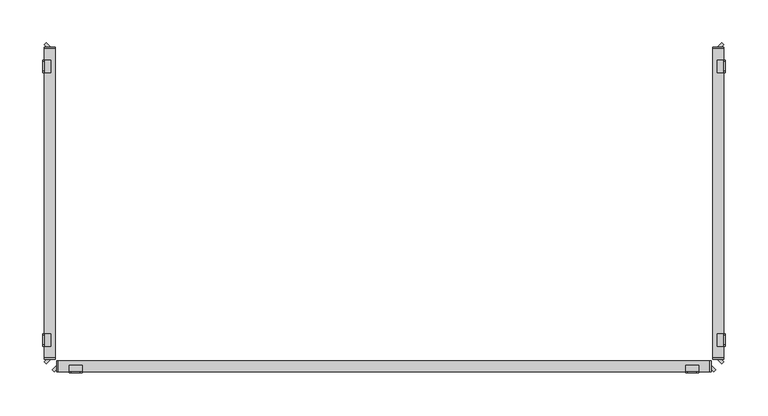
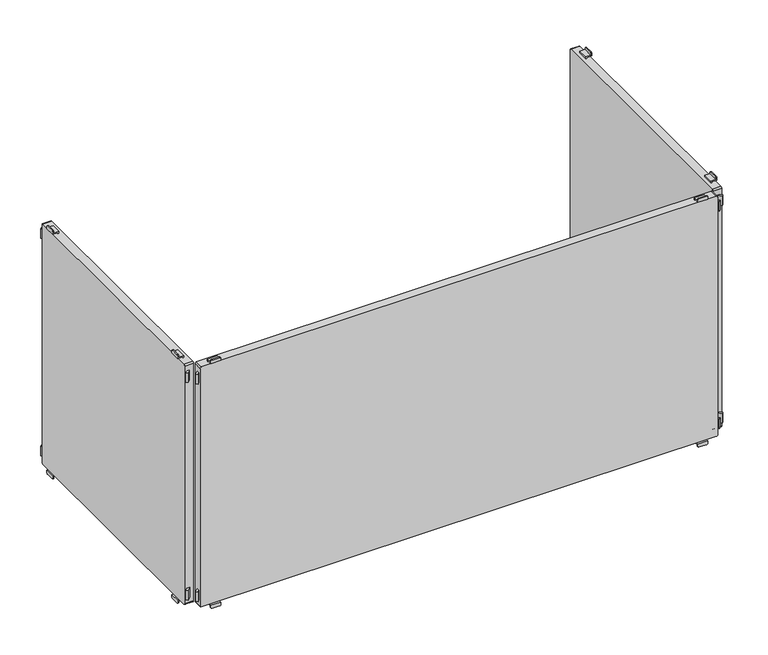
"""IFC4 building model written with IfcOpenShell, lengths in millimetres: furniture geometry."""

from ifc_helpers import new_model, si_unit, point, frame, frame_2d, origin, place, context, project, spatial, polyline, circle_curve, trimmed, segment, composite_curve, outline, extrude, source, transform, mapped, element, save
from ifc_brep_helpers import plane_surface, cylinder_surface, advanced_brep


def furniture_d464f380(model_context):
    return source(origin(), model_context, "Body", "SolidModel", [
        advanced_brep(
        [(352.5, -197.0, 515.5), (352.5, -197.0, 517.0), (367.5, -197.0, 517.0), (367.5, -197.0, 515.5), (365.5, -197.0, 513.5), (354.5, -197.0, 513.5), (352.5, -198.5, 518.5), (352.5, -198.5, 515.5), (354.5, -198.5, 513.5), (365.5, -198.5, 513.5), (367.5, -198.5, 515.5), (367.5, -198.5, 518.5), (352.5, -191.0011497, 518.5), (352.5, -191.0011497, 520.0), (352.5, -189.5011497, 520.0), (352.5, -189.5011497, 517.0), (367.5, -189.5011497, 517.0), (367.5, -189.5011497, 520.0), (367.5, -191.0011497, 520.0), (367.5, -191.0011497, 518.5)],
        [
            (0, 1),
            (1, 2),
            (2, 3),
            (3, 4, circle_curve(frame((365.5, -197.0, 515.5), z_axis=(0.0, 1.0, 0.0), x_axis=(1.0, 0.0, 0.0)), 2.0)),
            (4, 5),
            (5, 0, circle_curve(frame((354.5, -197.0, 515.5), z_axis=(0.0, 1.0, 0.0), x_axis=(1.0, 0.0, 0.0)), 2.0)),
            (6, 7),
            (7, 8, circle_curve(frame((354.5, -198.5, 515.5), z_axis=(0.0, -1.0, 0.0), x_axis=(1.0, 0.0, 0.0)), 2.0)),
            (8, 9),
            (9, 10, circle_curve(frame((365.5, -198.5, 515.5), z_axis=(0.0, -1.0, 0.0), x_axis=(1.0, 0.0, 0.0)), 2.0)),
            (10, 11),
            (11, 6),
            (6, 12),
            (12, 13),
            (13, 14),
            (14, 15),
            (15, 1),
            (0, 7),
            (5, 8),
            (4, 9),
            (3, 10),
            (2, 16),
            (16, 17),
            (17, 18),
            (18, 19),
            (19, 11),
            (19, 12),
            (14, 17),
            (16, 15),
            (13, 18),
        ],
        [
            plane_surface(frame((352.5, -197.0, 517.0), z_axis=(0.0, 1.0, 0.0), x_axis=(0.0, 0.0, -1.0))),
            plane_surface(frame((352.5, -198.5, 517.0), z_axis=(0.0, -1.0, 0.0), x_axis=(0.0, 0.0, 1.0))),
            plane_surface(frame((352.5, -197.0, 518.5), z_axis=(-1.0, 0.0, 0.0), x_axis=(0.0, -1.0, 0.0))),
            cylinder_surface(frame((354.5, -198.5, 515.5), z_axis=(0.0, 1.0, 0.0), x_axis=(1.0, 0.0, 0.0)), 2.0),
            plane_surface(frame((354.5, -197.0, 513.5), z_axis=(0.0, 0.0, -1.0), x_axis=(0.0, -1.0, 0.0))),
            cylinder_surface(frame((365.5, -198.5, 515.5), z_axis=(0.0, 1.0, 0.0), x_axis=(1.0, 0.0, 0.0)), 2.0),
            plane_surface(frame((367.5, -197.0, 515.5), z_axis=(1.0, 0.0, 0.0), x_axis=(0.0, -1.0, 0.0))),
            plane_surface(frame((367.5, -197.0, 518.5), z_axis=(0.0, 0.0, 1.0), x_axis=(0.0, -1.0, 0.0))),
            plane_surface(frame((352.5, -189.5011497, 517.0), z_axis=(0.0, 1.0, 0.0), x_axis=(1.0, 0.0, 0.0))),
            plane_surface(frame((352.5, -189.5011497, 520.0), z_axis=(0.0, 0.0, 1.0), x_axis=(1.0, 0.0, 0.0))),
            plane_surface(frame((352.5, -191.0011497, 520.0), z_axis=(0.0, -1.0, 0.0), x_axis=(1.0, 0.0, 0.0))),
            plane_surface(frame((352.5, -197.0, 517.0), z_axis=(0.0, 0.0, -1.0), x_axis=(1.0, 0.0, 0.0))),
        ],
        [
            (0, [[1, 2, 3, 4, 5, 6]]),
            (1, [[7, 8, 9, 10, 11, 12]]),
            (2, [[13, 14, 15, 16, 17, -1, 18, -7]]),
            (3, [[19, -8, -18, -6]]),
            (4, [[20, -9, -19, -5]]),
            (5, [[21, -10, -20, -4]]),
            (6, [[-21, -3, 22, 23, 24, 25, 26, -11]]),
            (7, [[27, -13, -12, -26]]),
            (8, [[28, -23, 29, -16]]),
            (9, [[30, -24, -28, -15]]),
            (10, [[-27, -25, -30, -14]]),
            (11, [[-29, -22, -2, -17]]),
        ],
    ),
        advanced_brep(
        [(-367.5, -197.0, 515.5), (-367.5, -197.0, 517.0), (-352.5, -197.0, 517.0), (-352.5, -197.0, 515.5), (-354.5, -197.0, 513.5), (-365.5, -197.0, 513.5), (-352.5, -198.5, 518.5), (-367.5, -198.5, 518.5), (-367.5, -198.5, 515.5), (-365.5, -198.5, 513.5), (-354.5, -198.5, 513.5), (-352.5, -198.5, 515.5), (-352.5, -191.0011497, 518.5), (-367.5, -191.0011497, 518.5), (-367.5, -191.0011497, 520.0), (-367.5, -189.5011497, 520.0), (-367.5, -189.5011497, 517.0), (-352.5, -189.5011497, 517.0), (-352.5, -189.5011497, 520.0), (-352.5, -191.0011497, 520.0)],
        [
            (0, 1),
            (1, 2),
            (2, 3),
            (3, 4, circle_curve(frame((-354.5, -197.0, 515.5), z_axis=(0.0, 1.0, 0.0), x_axis=(1.0, 0.0, 0.0)), 2.0)),
            (4, 5),
            (5, 0, circle_curve(frame((-365.5, -197.0, 515.5), z_axis=(0.0, 1.0, 0.0), x_axis=(1.0, 0.0, 0.0)), 2.0)),
            (6, 7),
            (7, 8),
            (8, 9, circle_curve(frame((-365.5, -198.5, 515.5), z_axis=(0.0, -1.0, 0.0), x_axis=(1.0, 0.0, 0.0)), 2.0)),
            (9, 10),
            (10, 11, circle_curve(frame((-354.5, -198.5, 515.5), z_axis=(0.0, -1.0, 0.0), x_axis=(1.0, 0.0, 0.0)), 2.0)),
            (11, 6),
            (6, 12),
            (12, 13),
            (13, 7),
            (13, 14),
            (14, 15),
            (15, 16),
            (16, 1),
            (0, 8),
            (5, 9),
            (4, 10),
            (3, 11),
            (2, 17),
            (17, 18),
            (18, 19),
            (19, 12),
            (17, 16),
            (15, 18),
            (14, 19),
        ],
        [
            plane_surface(frame((352.5, -197.0, 517.0), z_axis=(0.0, 1.0, 0.0), x_axis=(0.0, 0.0, -1.0))),
            plane_surface(frame((352.5, -198.5, 517.0), z_axis=(0.0, -1.0, 0.0), x_axis=(0.0, 0.0, 1.0))),
            plane_surface(frame((-352.5, -197.0, 518.5), z_axis=(0.0, 0.0, 1.0), x_axis=(0.0, -1.0, 0.0))),
            plane_surface(frame((-367.5, -197.0, 518.5), z_axis=(-1.0, 0.0, 0.0), x_axis=(0.0, -1.0, 0.0))),
            cylinder_surface(frame((-365.5, -200.0, 515.5), z_axis=(0.0, 1.0, 0.0), x_axis=(1.0, 0.0, 0.0)), 2.0),
            plane_surface(frame((-365.5, -197.0, 513.5), z_axis=(0.0, 0.0, -1.0), x_axis=(0.0, -1.0, 0.0))),
            cylinder_surface(frame((-354.5, -200.0, 515.5), z_axis=(0.0, 1.0, 0.0), x_axis=(1.0, 0.0, 0.0)), 2.0),
            plane_surface(frame((-352.5, -197.0, 515.5), z_axis=(1.0, 0.0, 0.0), x_axis=(0.0, -1.0, 0.0))),
            plane_surface(frame((-352.5, -189.5011497, 520.0), z_axis=(0.0, 1.0, 0.0), x_axis=(-1.0, 0.0, 0.0))),
            plane_surface(frame((-352.5, -191.0011497, 520.0), z_axis=(0.0, 0.0, 1.0), x_axis=(-1.0, 0.0, 0.0))),
            plane_surface(frame((-352.5, -191.0011497, 518.5), z_axis=(0.0, -1.0, 0.0), x_axis=(-1.0, 0.0, 0.0))),
            plane_surface(frame((-352.5, -189.5011497, 517.0), z_axis=(0.0, 0.0, -1.0), x_axis=(-1.0, 0.0, 0.0))),
        ],
        [
            (0, [[1, 2, 3, 4, 5, 6]]),
            (1, [[7, 8, 9, 10, 11, 12]]),
            (2, [[13, 14, 15, -7]]),
            (3, [[-15, 16, 17, 18, 19, -1, 20, -8]]),
            (4, [[21, -9, -20, -6]]),
            (5, [[22, -10, -21, -5]]),
            (6, [[23, -11, -22, -4]]),
            (7, [[-23, -3, 24, 25, 26, 27, -13, -12]]),
            (8, [[28, -18, 29, -25]]),
            (9, [[-29, -17, 30, -26]]),
            (10, [[-30, -16, -14, -27]]),
            (11, [[-2, -19, -28, -24]]),
        ],
    ),
        advanced_brep(
        [(367.5, -197.0, 899.5), (367.5, -197.0, 898.0), (352.5, -197.0, 898.0), (352.5, -197.0, 899.5), (354.5, -197.0, 901.5), (365.5, -197.0, 901.5), (352.5, -198.5, 896.5), (367.5, -198.5, 896.5), (367.5, -198.5, 899.5), (365.5, -198.5, 901.5), (354.5, -198.5, 901.5), (352.5, -198.5, 899.5), (352.5, -189.5011497, 898.0), (352.5, -189.5011497, 895.0), (352.5, -191.0011497, 895.0), (352.5, -191.0011497, 896.5), (367.5, -189.5011497, 898.0), (367.5, -191.0011497, 896.5), (367.5, -191.0011497, 895.0), (367.5, -189.5011497, 895.0)],
        [
            (0, 1),
            (1, 2),
            (2, 3),
            (3, 4, circle_curve(frame((354.5, -197.0, 899.5), z_axis=(0.0, 1.0, 0.0), x_axis=(1.0, 0.0, 0.0)), 2.0)),
            (4, 5),
            (5, 0, circle_curve(frame((365.5, -197.0, 899.5), z_axis=(0.0, 1.0, 0.0), x_axis=(1.0, 0.0, 0.0)), 2.0)),
            (6, 7),
            (7, 8),
            (8, 9, circle_curve(frame((365.5, -198.5, 899.5), z_axis=(0.0, -1.0, 0.0), x_axis=(1.0, 0.0, 0.0)), 2.0)),
            (9, 10),
            (10, 11, circle_curve(frame((354.5, -198.5, 899.5), z_axis=(0.0, -1.0, 0.0), x_axis=(1.0, 0.0, 0.0)), 2.0)),
            (11, 6),
            (12, 13),
            (13, 14),
            (14, 15),
            (15, 6),
            (11, 3),
            (2, 12),
            (16, 1),
            (0, 8),
            (7, 17),
            (17, 18),
            (18, 19),
            (19, 16),
            (15, 17),
            (5, 9),
            (4, 10),
            (16, 12),
            (14, 18),
            (13, 19),
        ],
        [
            plane_surface(frame((352.5, -197.0, 517.0), z_axis=(0.0, 1.0, 0.0), x_axis=(0.0, 0.0, -1.0))),
            plane_surface(frame((352.5, -198.5, 517.0), z_axis=(0.0, -1.0, 0.0), x_axis=(0.0, 0.0, 1.0))),
            plane_surface(frame((352.5, -197.0, 518.5), z_axis=(-1.0, 0.0, 0.0), x_axis=(0.0, -1.0, 0.0))),
            plane_surface(frame((367.5, -197.0, 515.5), z_axis=(1.0, 0.0, 0.0), x_axis=(0.0, -1.0, 0.0))),
            plane_surface(frame((352.5, -197.0, 896.5), z_axis=(0.0, 0.0, -1.0), x_axis=(0.0, -1.0, 0.0))),
            cylinder_surface(frame((365.5, -200.0, 899.5), z_axis=(0.0, 1.0, 0.0), x_axis=(1.0, 0.0, 0.0)), 2.0),
            plane_surface(frame((365.5, -197.0, 901.5), z_axis=(0.0, 0.0, 1.0), x_axis=(0.0, -1.0, 0.0))),
            cylinder_surface(frame((354.5, -200.0, 899.5), z_axis=(0.0, 1.0, 0.0), x_axis=(1.0, 0.0, 0.0)), 2.0),
            plane_surface(frame((352.5, -189.5011497, 898.0), z_axis=(0.0, 0.0, 1.0), x_axis=(1.0, 0.0, 0.0))),
            plane_surface(frame((352.5, -191.0011497, 896.5), z_axis=(0.0, -1.0, 0.0), x_axis=(1.0, 0.0, 0.0))),
            plane_surface(frame((352.5, -191.0011497, 895.0), z_axis=(0.0, 0.0, -1.0), x_axis=(1.0, 0.0, 0.0))),
            plane_surface(frame((352.5, -189.5011497, 895.0), z_axis=(0.0, 1.0, 0.0), x_axis=(1.0, 0.0, 0.0))),
        ],
        [
            (0, [[1, 2, 3, 4, 5, 6]]),
            (1, [[7, 8, 9, 10, 11, 12]]),
            (2, [[13, 14, 15, 16, -12, 17, -3, 18]]),
            (3, [[19, -1, 20, -8, 21, 22, 23, 24]]),
            (4, [[25, -21, -7, -16]]),
            (5, [[26, -9, -20, -6]]),
            (6, [[27, -10, -26, -5]]),
            (7, [[-17, -11, -27, -4]]),
            (8, [[-2, -19, 28, -18]]),
            (9, [[29, -22, -25, -15]]),
            (10, [[30, -23, -29, -14]]),
            (11, [[-28, -24, -30, -13]]),
        ],
    ),
        advanced_brep(
        [(-352.5, -197.0, 899.5), (-352.5, -197.0, 898.0), (-367.5, -197.0, 898.0), (-367.5, -197.0, 899.5), (-365.5, -197.0, 901.5), (-354.5, -197.0, 901.5), (-352.5, -198.5, 896.5), (-352.5, -198.5, 899.5), (-354.5, -198.5, 901.5), (-365.5, -198.5, 901.5), (-367.5, -198.5, 899.5), (-367.5, -198.5, 896.5), (-367.5, -189.5011497, 898.0), (-367.5, -189.5011497, 895.0), (-367.5, -191.0011497, 895.0), (-367.5, -191.0011497, 896.5), (-352.5, -191.0011497, 896.5), (-352.5, -191.0011497, 895.0), (-352.5, -189.5011497, 895.0), (-352.5, -189.5011497, 898.0)],
        [
            (0, 1),
            (1, 2),
            (2, 3),
            (3, 4, circle_curve(frame((-365.5, -197.0, 899.5), z_axis=(0.0, 1.0, 0.0), x_axis=(1.0, 0.0, 0.0)), 2.0)),
            (4, 5),
            (5, 0, circle_curve(frame((-354.5, -197.0, 899.5), z_axis=(0.0, 1.0, 0.0), x_axis=(1.0, 0.0, 0.0)), 2.0)),
            (6, 7),
            (7, 8, circle_curve(frame((-354.5, -198.5, 899.5), z_axis=(0.0, -1.0, 0.0), x_axis=(1.0, 0.0, 0.0)), 2.0)),
            (8, 9),
            (9, 10, circle_curve(frame((-365.5, -198.5, 899.5), z_axis=(0.0, -1.0, 0.0), x_axis=(1.0, 0.0, 0.0)), 2.0)),
            (10, 11),
            (11, 6),
            (10, 3),
            (2, 12),
            (12, 13),
            (13, 14),
            (14, 15),
            (15, 11),
            (6, 16),
            (16, 17),
            (17, 18),
            (18, 19),
            (19, 1),
            (0, 7),
            (5, 8),
            (4, 9),
            (15, 16),
            (19, 12),
            (14, 17),
            (13, 18),
        ],
        [
            plane_surface(frame((352.5, -197.0, 517.0), z_axis=(0.0, 1.0, 0.0), x_axis=(0.0, 0.0, -1.0))),
            plane_surface(frame((352.5, -198.5, 517.0), z_axis=(0.0, -1.0, 0.0), x_axis=(0.0, 0.0, 1.0))),
            plane_surface(frame((-367.5, -197.0, 518.5), z_axis=(-1.0, 0.0, 0.0), x_axis=(0.0, -1.0, 0.0))),
            plane_surface(frame((-352.5, -197.0, 515.5), z_axis=(1.0, 0.0, 0.0), x_axis=(0.0, -1.0, 0.0))),
            cylinder_surface(frame((-354.5, -200.0, 899.5), z_axis=(0.0, 1.0, 0.0), x_axis=(1.0, 0.0, 0.0)), 2.0),
            plane_surface(frame((-354.5, -197.0, 901.5), z_axis=(0.0, 0.0, 1.0), x_axis=(0.0, -1.0, 0.0))),
            cylinder_surface(frame((-365.5, -200.0, 899.5), z_axis=(0.0, 1.0, 0.0), x_axis=(1.0, 0.0, 0.0)), 2.0),
            plane_surface(frame((-367.5, -197.0, 896.5), z_axis=(0.0, 0.0, -1.0), x_axis=(0.0, -1.0, 0.0))),
            plane_surface(frame((-352.5, -197.0, 898.0), z_axis=(0.0, 0.0, 1.0), x_axis=(-1.0, 0.0, 0.0))),
            plane_surface(frame((-352.5, -191.0011497, 895.0), z_axis=(0.0, -1.0, 0.0), x_axis=(-1.0, 0.0, 0.0))),
            plane_surface(frame((-352.5, -189.5011497, 895.0), z_axis=(0.0, 0.0, -1.0), x_axis=(-1.0, 0.0, 0.0))),
            plane_surface(frame((-352.5, -189.5011497, 898.0), z_axis=(0.0, 1.0, 0.0), x_axis=(-1.0, 0.0, 0.0))),
        ],
        [
            (0, [[1, 2, 3, 4, 5, 6]]),
            (1, [[7, 8, 9, 10, 11, 12]]),
            (2, [[13, -3, 14, 15, 16, 17, 18, -11]]),
            (3, [[19, 20, 21, 22, 23, -1, 24, -7]]),
            (4, [[25, -8, -24, -6]]),
            (5, [[26, -9, -25, -5]]),
            (6, [[-13, -10, -26, -4]]),
            (7, [[-18, 27, -19, -12]]),
            (8, [[28, -14, -2, -23]]),
            (9, [[-27, -17, 29, -20]]),
            (10, [[-29, -16, 30, -21]]),
            (11, [[-30, -15, -28, -22]]),
        ],
    ),
        extrude(outline(polyline([(-385.3223305, -197.0), (-387.6605904, -194.6617401), (-382.5, -189.5011497), (-382.5, -194.1776695), (-385.3223305, -197.0)])), frame((0.0, 0.0, 530.0), z_axis=(0.0, 0.0, 1.0), x_axis=(1.0, 0.0, 0.0)), (0.0, 0.0, 1.0), 15.0),
        extrude(outline(polyline([(385.3223305, -197.0), (382.5, -194.1776695), (382.5, -189.5011497), (387.6605904, -194.6617401), (385.3223305, -197.0)])), frame((0.0, 0.0, 530.0), z_axis=(0.0, 0.0, 1.0), x_axis=(1.0, 0.0, 0.0)), (0.0, 0.0, 1.0), 15.0),
        extrude(outline(composite_curve([segment(trimmed(circle_curve(frame_2d((893.2, 380.7)), 1.8), [point((893.2, 382.5))], [point((895.0, 380.7))], False, "CARTESIAN"), True, "CONTINUOUS"), segment(polyline([(895.0, 380.7), (895.0, -380.7)]), True, "CONTINUOUS"), segment(trimmed(circle_curve(frame_2d((893.2, -380.7)), 1.8), [point((895.0, -380.7))], [point((893.2, -382.5))], False, "CARTESIAN"), True, "CONTINUOUS"), segment(polyline([(893.2, -382.5), (521.8, -382.5)]), True, "CONTINUOUS"), segment(trimmed(circle_curve(frame_2d((521.8, -380.7)), 1.8), [point((521.8, -382.5))], [point((520.0, -380.7))], False, "CARTESIAN"), True, "CONTINUOUS"), segment(polyline([(520.0, -380.7), (520.0, 380.7)]), True, "CONTINUOUS"), segment(trimmed(circle_curve(frame_2d((521.8, 380.7)), 1.8), [point((520.0, 380.7))], [point((521.8, 382.5))], False, "CARTESIAN"), True, "CONTINUOUS"), segment(polyline([(521.8, 382.5), (893.2, 382.5)]), True, "CONTINUOUS")], self_intersect=False)), frame((0.0, -197.0, 0.0), z_axis=(0.0, 1.0, 0.0), x_axis=(0.0, 0.0, 1.0)), (0.0, 0.0, 1.0), 13.000205),
        extrude(outline(polyline([(-385.3223305, -197.0), (-387.6605904, -194.6617401), (-382.5, -189.5011497), (-382.5, -194.1776695), (-385.3223305, -197.0)])), frame((0.0, 0.0, 870.0), z_axis=(0.0, 0.0, 1.0), x_axis=(1.0, 0.0, 0.0)), (0.0, 0.0, 1.0), 15.0),
        extrude(outline(polyline([(385.3223305, -197.0), (382.5, -194.1776695), (382.5, -189.5011497), (387.6605904, -194.6617401), (385.3223305, -197.0)])), frame((0.0, 0.0, 870.0), z_axis=(0.0, 0.0, 1.0), x_axis=(1.0, 0.0, 0.0)), (0.0, 0.0, 1.0), 15.0),
        advanced_brep(
        [(397.0, -152.5, 515.5), (397.0, -154.5, 513.5), (397.0, -165.5, 513.5), (397.0, -167.5, 515.5), (397.0, -167.5, 517.0), (397.0, -152.5, 517.0), (398.5, -152.5, 518.5), (398.5, -167.5, 518.5), (398.5, -167.5, 515.5), (398.5, -165.5, 513.5), (398.5, -154.5, 513.5), (398.5, -152.5, 515.5), (389.5011497, -152.5, 517.0), (389.5011497, -152.5, 520.0), (391.0011497, -152.5, 520.0), (391.0011497, -152.5, 518.5), (391.0011497, -167.5, 518.5), (391.0011497, -167.5, 520.0), (389.5011497, -167.5, 520.0), (389.5011497, -167.5, 517.0)],
        [
            (0, 1, circle_curve(frame((397.0, -154.5, 515.5), z_axis=(-1.0, 0.0, 0.0), x_axis=(0.0, -1.0, 0.0)), 2.0)),
            (1, 2),
            (2, 3, circle_curve(frame((397.0, -165.5, 515.5), z_axis=(-1.0, 0.0, 0.0), x_axis=(0.0, -1.0, 0.0)), 2.0)),
            (3, 4),
            (4, 5),
            (5, 0),
            (6, 7),
            (7, 8),
            (8, 9, circle_curve(frame((398.5, -165.5, 515.5), z_axis=(1.0, 0.0, 0.0), x_axis=(0.0, -1.0, 0.0)), 2.0)),
            (9, 10),
            (10, 11, circle_curve(frame((398.5, -154.5, 515.5), z_axis=(1.0, 0.0, 0.0), x_axis=(0.0, -1.0, 0.0)), 2.0)),
            (11, 6),
            (11, 0),
            (5, 12),
            (12, 13),
            (13, 14),
            (14, 15),
            (15, 6),
            (10, 1),
            (9, 2),
            (8, 3),
            (7, 16),
            (16, 17),
            (17, 18),
            (18, 19),
            (19, 4),
            (15, 16),
            (12, 19),
            (18, 13),
            (17, 14),
        ],
        [
            plane_surface(frame((397.0, -152.5, 517.0), z_axis=(-1.0, 0.0, 0.0), x_axis=(0.0, 0.0, -1.0))),
            plane_surface(frame((398.5, -152.5, 517.0), z_axis=(1.0, 0.0, 0.0), x_axis=(0.0, 0.0, 1.0))),
            plane_surface(frame((397.0, -152.5, 518.5), z_axis=(0.0, 1.0, 0.0), x_axis=(1.0, 0.0, 0.0))),
            cylinder_surface(frame((398.5, -154.5, 515.5), z_axis=(-1.0, 0.0, 0.0), x_axis=(0.0, -1.0, 0.0)), 2.0),
            plane_surface(frame((397.0, -154.5, 513.5), z_axis=(0.0, 0.0, -1.0), x_axis=(1.0, 0.0, 0.0))),
            cylinder_surface(frame((398.5, -165.5, 515.5), z_axis=(-1.0, 0.0, 0.0), x_axis=(0.0, -1.0, 0.0)), 2.0),
            plane_surface(frame((397.0, -167.5, 515.5), z_axis=(0.0, -1.0, 0.0), x_axis=(1.0, 0.0, 0.0))),
            plane_surface(frame((397.0, -167.5, 518.5), z_axis=(0.0, 0.0, 1.0), x_axis=(1.0, 0.0, 0.0))),
            plane_surface(frame((389.5011497, -152.5, 517.0), z_axis=(-1.0, 0.0, 0.0), x_axis=(0.0, -1.0, 0.0))),
            plane_surface(frame((389.5011497, -152.5, 520.0), z_axis=(0.0, 0.0, 1.0), x_axis=(0.0, -1.0, 0.0))),
            plane_surface(frame((391.0011497, -152.5, 520.0), z_axis=(1.0, 0.0, 0.0), x_axis=(0.0, -1.0, 0.0))),
            plane_surface(frame((397.0, -152.5, 517.0), z_axis=(0.0, 0.0, -1.0), x_axis=(0.0, -1.0, 0.0))),
        ],
        [
            (0, [[1, 2, 3, 4, 5, 6]]),
            (1, [[7, 8, 9, 10, 11, 12]]),
            (2, [[-12, 13, -6, 14, 15, 16, 17, 18]]),
            (3, [[-1, -13, -11, 19]]),
            (4, [[-2, -19, -10, 20]]),
            (5, [[-3, -20, -9, 21]]),
            (6, [[-8, 22, 23, 24, 25, 26, -4, -21]]),
            (7, [[-22, -7, -18, 27]]),
            (8, [[-15, 28, -25, 29]]),
            (9, [[-16, -29, -24, 30]]),
            (10, [[-17, -30, -23, -27]]),
            (11, [[-14, -5, -26, -28]]),
        ],
    ),
        advanced_brep(
        [(397.0, 167.5, 515.5), (397.0, 165.5, 513.5), (397.0, 154.5, 513.5), (397.0, 152.5, 515.5), (397.0, 152.5, 517.0), (397.0, 167.5, 517.0), (398.5, 152.5, 518.5), (398.5, 152.5, 515.5), (398.5, 154.5, 513.5), (398.5, 165.5, 513.5), (398.5, 167.5, 515.5), (398.5, 167.5, 518.5), (391.0011497, 167.5, 518.5), (391.0011497, 152.5, 518.5), (389.5011497, 167.5, 517.0), (389.5011497, 167.5, 520.0), (391.0011497, 167.5, 520.0), (391.0011497, 152.5, 520.0), (389.5011497, 152.5, 520.0), (389.5011497, 152.5, 517.0)],
        [
            (0, 1, circle_curve(frame((397.0, 165.5, 515.5), z_axis=(-1.0, 0.0, 0.0), x_axis=(0.0, -1.0, 0.0)), 2.0)),
            (1, 2),
            (2, 3, circle_curve(frame((397.0, 154.5, 515.5), z_axis=(-1.0, 0.0, 0.0), x_axis=(0.0, -1.0, 0.0)), 2.0)),
            (3, 4),
            (4, 5),
            (5, 0),
            (6, 7),
            (7, 8, circle_curve(frame((398.5, 154.5, 515.5), z_axis=(1.0, 0.0, 0.0), x_axis=(0.0, -1.0, 0.0)), 2.0)),
            (8, 9),
            (9, 10, circle_curve(frame((398.5, 165.5, 515.5), z_axis=(1.0, 0.0, 0.0), x_axis=(0.0, -1.0, 0.0)), 2.0)),
            (10, 11),
            (11, 6),
            (11, 12),
            (12, 13),
            (13, 6),
            (10, 0),
            (5, 14),
            (14, 15),
            (15, 16),
            (16, 12),
            (9, 1),
            (8, 2),
            (7, 3),
            (13, 17),
            (17, 18),
            (18, 19),
            (19, 4),
            (18, 15),
            (14, 19),
            (17, 16),
        ],
        [
            plane_surface(frame((397.0, -152.5, 517.0), z_axis=(-1.0, 0.0, 0.0), x_axis=(0.0, 0.0, -1.0))),
            plane_surface(frame((398.5, -152.5, 517.0), z_axis=(1.0, 0.0, 0.0), x_axis=(0.0, 0.0, 1.0))),
            plane_surface(frame((397.0, 152.5, 518.5), z_axis=(0.0, 0.0, 1.0), x_axis=(1.0, 0.0, 0.0))),
            plane_surface(frame((397.0, 167.5, 518.5), z_axis=(0.0, 1.0, 0.0), x_axis=(1.0, 0.0, 0.0))),
            cylinder_surface(frame((400.0, 165.5, 515.5), z_axis=(-1.0, 0.0, 0.0), x_axis=(0.0, -1.0, 0.0)), 2.0),
            plane_surface(frame((397.0, 165.5, 513.5), z_axis=(0.0, 0.0, -1.0), x_axis=(1.0, 0.0, 0.0))),
            cylinder_surface(frame((400.0, 154.5, 515.5), z_axis=(-1.0, 0.0, 0.0), x_axis=(0.0, -1.0, 0.0)), 2.0),
            plane_surface(frame((397.0, 152.5, 515.5), z_axis=(0.0, -1.0, 0.0), x_axis=(1.0, 0.0, 0.0))),
            plane_surface(frame((389.5011497, 152.5, 520.0), z_axis=(-1.0, 0.0, 0.0), x_axis=(0.0, 1.0, 0.0))),
            plane_surface(frame((391.0011497, 152.5, 520.0), z_axis=(0.0, 0.0, 1.0), x_axis=(0.0, 1.0, 0.0))),
            plane_surface(frame((391.0011497, 152.5, 518.5), z_axis=(1.0, 0.0, 0.0), x_axis=(0.0, 1.0, 0.0))),
            plane_surface(frame((389.5011497, 152.5, 517.0), z_axis=(0.0, 0.0, -1.0), x_axis=(0.0, 1.0, 0.0))),
        ],
        [
            (0, [[1, 2, 3, 4, 5, 6]]),
            (1, [[7, 8, 9, 10, 11, 12]]),
            (2, [[-12, 13, 14, 15]]),
            (3, [[-11, 16, -6, 17, 18, 19, 20, -13]]),
            (4, [[-1, -16, -10, 21]]),
            (5, [[-2, -21, -9, 22]]),
            (6, [[-3, -22, -8, 23]]),
            (7, [[-7, -15, 24, 25, 26, 27, -4, -23]]),
            (8, [[-26, 28, -18, 29]]),
            (9, [[-25, 30, -19, -28]]),
            (10, [[-24, -14, -20, -30]]),
            (11, [[-27, -29, -17, -5]]),
        ],
    ),
        advanced_brep(
        [(397.0, -167.5, 899.5), (397.0, -165.5, 901.5), (397.0, -154.5, 901.5), (397.0, -152.5, 899.5), (397.0, -152.5, 898.0), (397.0, -167.5, 898.0), (398.5, -152.5, 896.5), (398.5, -152.5, 899.5), (398.5, -154.5, 901.5), (398.5, -165.5, 901.5), (398.5, -167.5, 899.5), (398.5, -167.5, 896.5), (389.5011497, -152.5, 898.0), (391.0011497, -152.5, 896.5), (391.0011497, -152.5, 895.0), (389.5011497, -152.5, 895.0), (389.5011497, -167.5, 898.0), (389.5011497, -167.5, 895.0), (391.0011497, -167.5, 895.0), (391.0011497, -167.5, 896.5)],
        [
            (0, 1, circle_curve(frame((397.0, -165.5, 899.5), z_axis=(-1.0, 0.0, 0.0), x_axis=(0.0, -1.0, 0.0)), 2.0)),
            (1, 2),
            (2, 3, circle_curve(frame((397.0, -154.5, 899.5), z_axis=(-1.0, 0.0, 0.0), x_axis=(0.0, -1.0, 0.0)), 2.0)),
            (3, 4),
            (4, 5),
            (5, 0),
            (6, 7),
            (7, 8, circle_curve(frame((398.5, -154.5, 899.5), z_axis=(1.0, 0.0, 0.0), x_axis=(0.0, -1.0, 0.0)), 2.0)),
            (8, 9),
            (9, 10, circle_curve(frame((398.5, -165.5, 899.5), z_axis=(1.0, 0.0, 0.0), x_axis=(0.0, -1.0, 0.0)), 2.0)),
            (10, 11),
            (11, 6),
            (12, 4),
            (3, 7),
            (6, 13),
            (13, 14),
            (14, 15),
            (15, 12),
            (16, 17),
            (17, 18),
            (18, 19),
            (19, 11),
            (10, 0),
            (5, 16),
            (19, 13),
            (9, 1),
            (8, 2),
            (12, 16),
            (18, 14),
            (17, 15),
        ],
        [
            plane_surface(frame((397.0, -152.5, 517.0), z_axis=(-1.0, 0.0, 0.0), x_axis=(0.0, 0.0, -1.0))),
            plane_surface(frame((398.5, -152.5, 517.0), z_axis=(1.0, 0.0, 0.0), x_axis=(0.0, 0.0, 1.0))),
            plane_surface(frame((397.0, -152.5, 518.5), z_axis=(0.0, 1.0, 0.0), x_axis=(1.0, 0.0, 0.0))),
            plane_surface(frame((397.0, -167.5, 515.5), z_axis=(0.0, -1.0, 0.0), x_axis=(1.0, 0.0, 0.0))),
            plane_surface(frame((397.0, -152.5, 896.5), z_axis=(0.0, 0.0, -1.0), x_axis=(1.0, 0.0, 0.0))),
            cylinder_surface(frame((400.0, -165.5, 899.5), z_axis=(-1.0, 0.0, 0.0), x_axis=(0.0, -1.0, 0.0)), 2.0),
            plane_surface(frame((397.0, -165.5, 901.5), z_axis=(0.0, 0.0, 1.0), x_axis=(1.0, 0.0, 0.0))),
            cylinder_surface(frame((400.0, -154.5, 899.5), z_axis=(-1.0, 0.0, 0.0), x_axis=(0.0, -1.0, 0.0)), 2.0),
            plane_surface(frame((389.5011497, -152.5, 898.0), z_axis=(0.0, 0.0, 1.0), x_axis=(0.0, -1.0, 0.0))),
            plane_surface(frame((391.0011497, -152.5, 896.5), z_axis=(1.0, 0.0, 0.0), x_axis=(0.0, -1.0, 0.0))),
            plane_surface(frame((391.0011497, -152.5, 895.0), z_axis=(0.0, 0.0, -1.0), x_axis=(0.0, -1.0, 0.0))),
            plane_surface(frame((389.5011497, -152.5, 895.0), z_axis=(-1.0, 0.0, 0.0), x_axis=(0.0, -1.0, 0.0))),
        ],
        [
            (0, [[1, 2, 3, 4, 5, 6]]),
            (1, [[7, 8, 9, 10, 11, 12]]),
            (2, [[13, -4, 14, -7, 15, 16, 17, 18]]),
            (3, [[19, 20, 21, 22, -11, 23, -6, 24]]),
            (4, [[-15, -12, -22, 25]]),
            (5, [[-1, -23, -10, 26]]),
            (6, [[-2, -26, -9, 27]]),
            (7, [[-3, -27, -8, -14]]),
            (8, [[-13, 28, -24, -5]]),
            (9, [[-16, -25, -21, 29]]),
            (10, [[-17, -29, -20, 30]]),
            (11, [[-18, -30, -19, -28]]),
        ],
    ),
        advanced_brep(
        [(397.0, 152.5, 899.5), (397.0, 154.5, 901.5), (397.0, 165.5, 901.5), (397.0, 167.5, 899.5), (397.0, 167.5, 898.0), (397.0, 152.5, 898.0), (398.5, 152.5, 896.5), (398.5, 167.5, 896.5), (398.5, 167.5, 899.5), (398.5, 165.5, 901.5), (398.5, 154.5, 901.5), (398.5, 152.5, 899.5), (391.0011497, 167.5, 896.5), (391.0011497, 167.5, 895.0), (389.5011497, 167.5, 895.0), (389.5011497, 167.5, 898.0), (389.5011497, 152.5, 898.0), (389.5011497, 152.5, 895.0), (391.0011497, 152.5, 895.0), (391.0011497, 152.5, 896.5)],
        [
            (0, 1, circle_curve(frame((397.0, 154.5, 899.5), z_axis=(-1.0, 0.0, 0.0), x_axis=(0.0, -1.0, 0.0)), 2.0)),
            (1, 2),
            (2, 3, circle_curve(frame((397.0, 165.5, 899.5), z_axis=(-1.0, 0.0, 0.0), x_axis=(0.0, -1.0, 0.0)), 2.0)),
            (3, 4),
            (4, 5),
            (5, 0),
            (6, 7),
            (7, 8),
            (8, 9, circle_curve(frame((398.5, 165.5, 899.5), z_axis=(1.0, 0.0, 0.0), x_axis=(0.0, -1.0, 0.0)), 2.0)),
            (9, 10),
            (10, 11, circle_curve(frame((398.5, 154.5, 899.5), z_axis=(1.0, 0.0, 0.0), x_axis=(0.0, -1.0, 0.0)), 2.0)),
            (11, 6),
            (7, 12),
            (12, 13),
            (13, 14),
            (14, 15),
            (15, 4),
            (3, 8),
            (11, 0),
            (5, 16),
            (16, 17),
            (17, 18),
            (18, 19),
            (19, 6),
            (10, 1),
            (9, 2),
            (19, 12),
            (15, 16),
            (18, 13),
            (17, 14),
        ],
        [
            plane_surface(frame((397.0, -152.5, 517.0), z_axis=(-1.0, 0.0, 0.0), x_axis=(0.0, 0.0, -1.0))),
            plane_surface(frame((398.5, -152.5, 517.0), z_axis=(1.0, 0.0, 0.0), x_axis=(0.0, 0.0, 1.0))),
            plane_surface(frame((397.0, 167.5, 518.5), z_axis=(0.0, 1.0, 0.0), x_axis=(1.0, 0.0, 0.0))),
            plane_surface(frame((397.0, 152.5, 515.5), z_axis=(0.0, -1.0, 0.0), x_axis=(1.0, 0.0, 0.0))),
            cylinder_surface(frame((400.0, 154.5, 899.5), z_axis=(-1.0, 0.0, 0.0), x_axis=(0.0, -1.0, 0.0)), 2.0),
            plane_surface(frame((397.0, 154.5, 901.5), z_axis=(0.0, 0.0, 1.0), x_axis=(1.0, 0.0, 0.0))),
            cylinder_surface(frame((400.0, 165.5, 899.5), z_axis=(-1.0, 0.0, 0.0), x_axis=(0.0, -1.0, 0.0)), 2.0),
            plane_surface(frame((397.0, 167.5, 896.5), z_axis=(0.0, 0.0, -1.0), x_axis=(1.0, 0.0, 0.0))),
            plane_surface(frame((397.0, 152.5, 898.0), z_axis=(0.0, 0.0, 1.0), x_axis=(0.0, 1.0, 0.0))),
            plane_surface(frame((391.0011497, 152.5, 895.0), z_axis=(1.0, 0.0, 0.0), x_axis=(0.0, 1.0, 0.0))),
            plane_surface(frame((389.5011497, 152.5, 895.0), z_axis=(0.0, 0.0, -1.0), x_axis=(0.0, 1.0, 0.0))),
            plane_surface(frame((389.5011497, 152.5, 898.0), z_axis=(-1.0, 0.0, 0.0), x_axis=(0.0, 1.0, 0.0))),
        ],
        [
            (0, [[1, 2, 3, 4, 5, 6]]),
            (1, [[7, 8, 9, 10, 11, 12]]),
            (2, [[-8, 13, 14, 15, 16, 17, -4, 18]]),
            (3, [[-12, 19, -6, 20, 21, 22, 23, 24]]),
            (4, [[-1, -19, -11, 25]]),
            (5, [[-2, -25, -10, 26]]),
            (6, [[-3, -26, -9, -18]]),
            (7, [[-7, -24, 27, -13]]),
            (8, [[-20, -5, -17, 28]]),
            (9, [[-23, 29, -14, -27]]),
            (10, [[-22, 30, -15, -29]]),
            (11, [[-21, -28, -16, -30]]),
        ],
    ),
        extrude(outline(polyline([(397.0, -185.3223305), (394.6617401, -187.6605904), (389.5011497, -182.5), (394.1776695, -182.5), (397.0, -185.3223305)])), frame((0.0, 0.0, 530.0), z_axis=(0.0, 0.0, 1.0), x_axis=(1.0, 0.0, 0.0)), (0.0, 0.0, 1.0), 15.0),
        extrude(outline(polyline([(397.0, 185.3223305), (394.1776695, 182.5), (389.5011497, 182.5), (394.6617401, 187.6605904), (397.0, 185.3223305)])), frame((0.0, 0.0, 530.0), z_axis=(0.0, 0.0, 1.0), x_axis=(1.0, 0.0, 0.0)), (0.0, 0.0, 1.0), 15.0),
        extrude(outline(composite_curve([segment(trimmed(circle_curve(frame_2d((-180.7, 893.2)), 1.8), [point((-182.5, 893.2))], [point((-180.7, 895.0))], False, "CARTESIAN"), True, "CONTINUOUS"), segment(polyline([(-180.7, 895.0), (180.7, 895.0)]), True, "CONTINUOUS"), segment(trimmed(circle_curve(frame_2d((180.7, 893.2)), 1.8), [point((180.7, 895.0))], [point((182.5, 893.2))], False, "CARTESIAN"), True, "CONTINUOUS"), segment(polyline([(182.5, 893.2), (182.5, 521.8)]), True, "CONTINUOUS"), segment(trimmed(circle_curve(frame_2d((180.7, 521.8)), 1.8), [point((182.5, 521.8))], [point((180.7, 520.0))], False, "CARTESIAN"), True, "CONTINUOUS"), segment(polyline([(180.7, 520.0), (-180.7, 520.0)]), True, "CONTINUOUS"), segment(trimmed(circle_curve(frame_2d((-180.7, 521.8)), 1.8), [point((-180.7, 520.0))], [point((-182.5, 521.8))], False, "CARTESIAN"), True, "CONTINUOUS"), segment(polyline([(-182.5, 521.8), (-182.5, 893.2)]), True, "CONTINUOUS")], self_intersect=False)), frame((383.999795, 0.0, 0.0), z_axis=(1.0, 0.0, 0.0), x_axis=(0.0, 1.0, 0.0)), (0.0, 0.0, 1.0), 13.000205),
        extrude(outline(polyline([(397.0, -185.3223305), (394.6617401, -187.6605904), (389.5011497, -182.5), (394.1776695, -182.5), (397.0, -185.3223305)])), frame((0.0, 0.0, 870.0), z_axis=(0.0, 0.0, 1.0), x_axis=(1.0, 0.0, 0.0)), (0.0, 0.0, 1.0), 15.0),
        extrude(outline(polyline([(397.0, 185.3223305), (394.1776695, 182.5), (389.5011497, 182.5), (394.6617401, 187.6605904), (397.0, 185.3223305)])), frame((0.0, 0.0, 870.0), z_axis=(0.0, 0.0, 1.0), x_axis=(1.0, 0.0, 0.0)), (0.0, 0.0, 1.0), 15.0),
        advanced_brep(
        [(-397.0, -152.5, 515.5), (-397.0, -152.5, 517.0), (-397.0, -167.5, 517.0), (-397.0, -167.5, 515.5), (-397.0, -165.5, 513.5), (-397.0, -154.5, 513.5), (-398.5, -152.5, 518.5), (-398.5, -152.5, 515.5), (-398.5, -154.5, 513.5), (-398.5, -165.5, 513.5), (-398.5, -167.5, 515.5), (-398.5, -167.5, 518.5), (-391.0011497, -152.5, 518.5), (-391.0011497, -152.5, 520.0), (-389.5011497, -152.5, 520.0), (-389.5011497, -152.5, 517.0), (-389.5011497, -167.5, 517.0), (-389.5011497, -167.5, 520.0), (-391.0011497, -167.5, 520.0), (-391.0011497, -167.5, 518.5)],
        [
            (0, 1),
            (1, 2),
            (2, 3),
            (3, 4, circle_curve(frame((-397.0, -165.5, 515.5), z_axis=(1.0, 0.0, 0.0), x_axis=(0.0, -1.0, 0.0)), 2.0)),
            (4, 5),
            (5, 0, circle_curve(frame((-397.0, -154.5, 515.5), z_axis=(1.0, 0.0, 0.0), x_axis=(0.0, -1.0, 0.0)), 2.0)),
            (6, 7),
            (7, 8, circle_curve(frame((-398.5, -154.5, 515.5), z_axis=(-1.0, 0.0, 0.0), x_axis=(0.0, -1.0, 0.0)), 2.0)),
            (8, 9),
            (9, 10, circle_curve(frame((-398.5, -165.5, 515.5), z_axis=(-1.0, 0.0, 0.0), x_axis=(0.0, -1.0, 0.0)), 2.0)),
            (10, 11),
            (11, 6),
            (6, 12),
            (12, 13),
            (13, 14),
            (14, 15),
            (15, 1),
            (0, 7),
            (5, 8),
            (4, 9),
            (3, 10),
            (2, 16),
            (16, 17),
            (17, 18),
            (18, 19),
            (19, 11),
            (19, 12),
            (14, 17),
            (16, 15),
            (13, 18),
        ],
        [
            plane_surface(frame((-397.0, -152.5, 517.0), z_axis=(1.0, 0.0, 0.0), x_axis=(0.0, 0.0, -1.0))),
            plane_surface(frame((-398.5, -152.5, 517.0), z_axis=(-1.0, 0.0, 0.0), x_axis=(0.0, 0.0, 1.0))),
            plane_surface(frame((-397.0, -152.5, 518.5), z_axis=(0.0, 1.0, 0.0), x_axis=(-1.0, 0.0, 0.0))),
            cylinder_surface(frame((-398.5, -154.5, 515.5), z_axis=(1.0, 0.0, 0.0), x_axis=(0.0, -1.0, 0.0)), 2.0),
            plane_surface(frame((-397.0, -154.5, 513.5), z_axis=(0.0, 0.0, -1.0), x_axis=(-1.0, 0.0, 0.0))),
            cylinder_surface(frame((-398.5, -165.5, 515.5), z_axis=(1.0, 0.0, 0.0), x_axis=(0.0, -1.0, 0.0)), 2.0),
            plane_surface(frame((-397.0, -167.5, 515.5), z_axis=(0.0, -1.0, 0.0), x_axis=(-1.0, 0.0, 0.0))),
            plane_surface(frame((-397.0, -167.5, 518.5), z_axis=(0.0, 0.0, 1.0), x_axis=(-1.0, 0.0, 0.0))),
            plane_surface(frame((-389.5011497, -152.5, 517.0), z_axis=(1.0, 0.0, 0.0), x_axis=(0.0, -1.0, 0.0))),
            plane_surface(frame((-389.5011497, -152.5, 520.0), z_axis=(0.0, 0.0, 1.0), x_axis=(0.0, -1.0, 0.0))),
            plane_surface(frame((-391.0011497, -152.5, 520.0), z_axis=(-1.0, 0.0, 0.0), x_axis=(0.0, -1.0, 0.0))),
            plane_surface(frame((-397.0, -152.5, 517.0), z_axis=(0.0, 0.0, -1.0), x_axis=(0.0, -1.0, 0.0))),
        ],
        [
            (0, [[1, 2, 3, 4, 5, 6]]),
            (1, [[7, 8, 9, 10, 11, 12]]),
            (2, [[13, 14, 15, 16, 17, -1, 18, -7]]),
            (3, [[19, -8, -18, -6]]),
            (4, [[20, -9, -19, -5]]),
            (5, [[21, -10, -20, -4]]),
            (6, [[-21, -3, 22, 23, 24, 25, 26, -11]]),
            (7, [[27, -13, -12, -26]]),
            (8, [[28, -23, 29, -16]]),
            (9, [[30, -24, -28, -15]]),
            (10, [[-27, -25, -30, -14]]),
            (11, [[-29, -22, -2, -17]]),
        ],
    ),
        advanced_brep(
        [(-397.0, 167.5, 515.5), (-397.0, 167.5, 517.0), (-397.0, 152.5, 517.0), (-397.0, 152.5, 515.5), (-397.0, 154.5, 513.5), (-397.0, 165.5, 513.5), (-398.5, 152.5, 518.5), (-398.5, 167.5, 518.5), (-398.5, 167.5, 515.5), (-398.5, 165.5, 513.5), (-398.5, 154.5, 513.5), (-398.5, 152.5, 515.5), (-391.0011497, 152.5, 518.5), (-391.0011497, 167.5, 518.5), (-391.0011497, 167.5, 520.0), (-389.5011497, 167.5, 520.0), (-389.5011497, 167.5, 517.0), (-389.5011497, 152.5, 517.0), (-389.5011497, 152.5, 520.0), (-391.0011497, 152.5, 520.0)],
        [
            (0, 1),
            (1, 2),
            (2, 3),
            (3, 4, circle_curve(frame((-397.0, 154.5, 515.5), z_axis=(1.0, 0.0, 0.0), x_axis=(0.0, -1.0, 0.0)), 2.0)),
            (4, 5),
            (5, 0, circle_curve(frame((-397.0, 165.5, 515.5), z_axis=(1.0, 0.0, 0.0), x_axis=(0.0, -1.0, 0.0)), 2.0)),
            (6, 7),
            (7, 8),
            (8, 9, circle_curve(frame((-398.5, 165.5, 515.5), z_axis=(-1.0, 0.0, 0.0), x_axis=(0.0, -1.0, 0.0)), 2.0)),
            (9, 10),
            (10, 11, circle_curve(frame((-398.5, 154.5, 515.5), z_axis=(-1.0, 0.0, 0.0), x_axis=(0.0, -1.0, 0.0)), 2.0)),
            (11, 6),
            (6, 12),
            (12, 13),
            (13, 7),
            (13, 14),
            (14, 15),
            (15, 16),
            (16, 1),
            (0, 8),
            (5, 9),
            (4, 10),
            (3, 11),
            (2, 17),
            (17, 18),
            (18, 19),
            (19, 12),
            (17, 16),
            (15, 18),
            (14, 19),
        ],
        [
            plane_surface(frame((-397.0, -152.5, 517.0), z_axis=(1.0, 0.0, 0.0), x_axis=(0.0, 0.0, -1.0))),
            plane_surface(frame((-398.5, -152.5, 517.0), z_axis=(-1.0, 0.0, 0.0), x_axis=(0.0, 0.0, 1.0))),
            plane_surface(frame((-397.0, 152.5, 518.5), z_axis=(0.0, 0.0, 1.0), x_axis=(-1.0, 0.0, 0.0))),
            plane_surface(frame((-397.0, 167.5, 518.5), z_axis=(0.0, 1.0, 0.0), x_axis=(-1.0, 0.0, 0.0))),
            cylinder_surface(frame((-400.0, 165.5, 515.5), z_axis=(1.0, 0.0, 0.0), x_axis=(0.0, -1.0, 0.0)), 2.0),
            plane_surface(frame((-397.0, 165.5, 513.5), z_axis=(0.0, 0.0, -1.0), x_axis=(-1.0, 0.0, 0.0))),
            cylinder_surface(frame((-400.0, 154.5, 515.5), z_axis=(1.0, 0.0, 0.0), x_axis=(0.0, -1.0, 0.0)), 2.0),
            plane_surface(frame((-397.0, 152.5, 515.5), z_axis=(0.0, -1.0, 0.0), x_axis=(-1.0, 0.0, 0.0))),
            plane_surface(frame((-389.5011497, 152.5, 520.0), z_axis=(1.0, 0.0, 0.0), x_axis=(0.0, 1.0, 0.0))),
            plane_surface(frame((-391.0011497, 152.5, 520.0), z_axis=(0.0, 0.0, 1.0), x_axis=(0.0, 1.0, 0.0))),
            plane_surface(frame((-391.0011497, 152.5, 518.5), z_axis=(-1.0, 0.0, 0.0), x_axis=(0.0, 1.0, 0.0))),
            plane_surface(frame((-389.5011497, 152.5, 517.0), z_axis=(0.0, 0.0, -1.0), x_axis=(0.0, 1.0, 0.0))),
        ],
        [
            (0, [[1, 2, 3, 4, 5, 6]]),
            (1, [[7, 8, 9, 10, 11, 12]]),
            (2, [[13, 14, 15, -7]]),
            (3, [[-15, 16, 17, 18, 19, -1, 20, -8]]),
            (4, [[21, -9, -20, -6]]),
            (5, [[22, -10, -21, -5]]),
            (6, [[23, -11, -22, -4]]),
            (7, [[-23, -3, 24, 25, 26, 27, -13, -12]]),
            (8, [[28, -18, 29, -25]]),
            (9, [[-29, -17, 30, -26]]),
            (10, [[-30, -16, -14, -27]]),
            (11, [[-2, -19, -28, -24]]),
        ],
    ),
        advanced_brep(
        [(-397.0, -167.5, 899.5), (-397.0, -167.5, 898.0), (-397.0, -152.5, 898.0), (-397.0, -152.5, 899.5), (-397.0, -154.5, 901.5), (-397.0, -165.5, 901.5), (-398.5, -152.5, 896.5), (-398.5, -167.5, 896.5), (-398.5, -167.5, 899.5), (-398.5, -165.5, 901.5), (-398.5, -154.5, 901.5), (-398.5, -152.5, 899.5), (-389.5011497, -152.5, 898.0), (-389.5011497, -152.5, 895.0), (-391.0011497, -152.5, 895.0), (-391.0011497, -152.5, 896.5), (-389.5011497, -167.5, 898.0), (-391.0011497, -167.5, 896.5), (-391.0011497, -167.5, 895.0), (-389.5011497, -167.5, 895.0)],
        [
            (0, 1),
            (1, 2),
            (2, 3),
            (3, 4, circle_curve(frame((-397.0, -154.5, 899.5), z_axis=(1.0, 0.0, 0.0), x_axis=(0.0, -1.0, 0.0)), 2.0)),
            (4, 5),
            (5, 0, circle_curve(frame((-397.0, -165.5, 899.5), z_axis=(1.0, 0.0, 0.0), x_axis=(0.0, -1.0, 0.0)), 2.0)),
            (6, 7),
            (7, 8),
            (8, 9, circle_curve(frame((-398.5, -165.5, 899.5), z_axis=(-1.0, 0.0, 0.0), x_axis=(0.0, -1.0, 0.0)), 2.0)),
            (9, 10),
            (10, 11, circle_curve(frame((-398.5, -154.5, 899.5), z_axis=(-1.0, 0.0, 0.0), x_axis=(0.0, -1.0, 0.0)), 2.0)),
            (11, 6),
            (12, 13),
            (13, 14),
            (14, 15),
            (15, 6),
            (11, 3),
            (2, 12),
            (16, 1),
            (0, 8),
            (7, 17),
            (17, 18),
            (18, 19),
            (19, 16),
            (15, 17),
            (5, 9),
            (4, 10),
            (16, 12),
            (14, 18),
            (13, 19),
        ],
        [
            plane_surface(frame((-397.0, -152.5, 517.0), z_axis=(1.0, 0.0, 0.0), x_axis=(0.0, 0.0, -1.0))),
            plane_surface(frame((-398.5, -152.5, 517.0), z_axis=(-1.0, 0.0, 0.0), x_axis=(0.0, 0.0, 1.0))),
            plane_surface(frame((-397.0, -152.5, 518.5), z_axis=(0.0, 1.0, 0.0), x_axis=(-1.0, 0.0, 0.0))),
            plane_surface(frame((-397.0, -167.5, 515.5), z_axis=(0.0, -1.0, 0.0), x_axis=(-1.0, 0.0, 0.0))),
            plane_surface(frame((-397.0, -152.5, 896.5), z_axis=(0.0, 0.0, -1.0), x_axis=(-1.0, 0.0, 0.0))),
            cylinder_surface(frame((-400.0, -165.5, 899.5), z_axis=(1.0, 0.0, 0.0), x_axis=(0.0, -1.0, 0.0)), 2.0),
            plane_surface(frame((-397.0, -165.5, 901.5), z_axis=(0.0, 0.0, 1.0), x_axis=(-1.0, 0.0, 0.0))),
            cylinder_surface(frame((-400.0, -154.5, 899.5), z_axis=(1.0, 0.0, 0.0), x_axis=(0.0, -1.0, 0.0)), 2.0),
            plane_surface(frame((-389.5011497, -152.5, 898.0), z_axis=(0.0, 0.0, 1.0), x_axis=(0.0, -1.0, 0.0))),
            plane_surface(frame((-391.0011497, -152.5, 896.5), z_axis=(-1.0, 0.0, 0.0), x_axis=(0.0, -1.0, 0.0))),
            plane_surface(frame((-391.0011497, -152.5, 895.0), z_axis=(0.0, 0.0, -1.0), x_axis=(0.0, -1.0, 0.0))),
            plane_surface(frame((-389.5011497, -152.5, 895.0), z_axis=(1.0, 0.0, 0.0), x_axis=(0.0, -1.0, 0.0))),
        ],
        [
            (0, [[1, 2, 3, 4, 5, 6]]),
            (1, [[7, 8, 9, 10, 11, 12]]),
            (2, [[13, 14, 15, 16, -12, 17, -3, 18]]),
            (3, [[19, -1, 20, -8, 21, 22, 23, 24]]),
            (4, [[25, -21, -7, -16]]),
            (5, [[26, -9, -20, -6]]),
            (6, [[27, -10, -26, -5]]),
            (7, [[-17, -11, -27, -4]]),
            (8, [[-2, -19, 28, -18]]),
            (9, [[29, -22, -25, -15]]),
            (10, [[30, -23, -29, -14]]),
            (11, [[-28, -24, -30, -13]]),
        ],
    ),
        advanced_brep(
        [(-397.0, 152.5, 899.5), (-397.0, 152.5, 898.0), (-397.0, 167.5, 898.0), (-397.0, 167.5, 899.5), (-397.0, 165.5, 901.5), (-397.0, 154.5, 901.5), (-398.5, 152.5, 896.5), (-398.5, 152.5, 899.5), (-398.5, 154.5, 901.5), (-398.5, 165.5, 901.5), (-398.5, 167.5, 899.5), (-398.5, 167.5, 896.5), (-389.5011497, 167.5, 898.0), (-389.5011497, 167.5, 895.0), (-391.0011497, 167.5, 895.0), (-391.0011497, 167.5, 896.5), (-391.0011497, 152.5, 896.5), (-391.0011497, 152.5, 895.0), (-389.5011497, 152.5, 895.0), (-389.5011497, 152.5, 898.0)],
        [
            (0, 1),
            (1, 2),
            (2, 3),
            (3, 4, circle_curve(frame((-397.0, 165.5, 899.5), z_axis=(1.0, 0.0, 0.0), x_axis=(0.0, -1.0, 0.0)), 2.0)),
            (4, 5),
            (5, 0, circle_curve(frame((-397.0, 154.5, 899.5), z_axis=(1.0, 0.0, 0.0), x_axis=(0.0, -1.0, 0.0)), 2.0)),
            (6, 7),
            (7, 8, circle_curve(frame((-398.5, 154.5, 899.5), z_axis=(-1.0, 0.0, 0.0), x_axis=(0.0, -1.0, 0.0)), 2.0)),
            (8, 9),
            (9, 10, circle_curve(frame((-398.5, 165.5, 899.5), z_axis=(-1.0, 0.0, 0.0), x_axis=(0.0, -1.0, 0.0)), 2.0)),
            (10, 11),
            (11, 6),
            (10, 3),
            (2, 12),
            (12, 13),
            (13, 14),
            (14, 15),
            (15, 11),
            (6, 16),
            (16, 17),
            (17, 18),
            (18, 19),
            (19, 1),
            (0, 7),
            (5, 8),
            (4, 9),
            (15, 16),
            (19, 12),
            (14, 17),
            (13, 18),
        ],
        [
            plane_surface(frame((-397.0, -152.5, 517.0), z_axis=(1.0, 0.0, 0.0), x_axis=(0.0, 0.0, -1.0))),
            plane_surface(frame((-398.5, -152.5, 517.0), z_axis=(-1.0, 0.0, 0.0), x_axis=(0.0, 0.0, 1.0))),
            plane_surface(frame((-397.0, 167.5, 518.5), z_axis=(0.0, 1.0, 0.0), x_axis=(-1.0, 0.0, 0.0))),
            plane_surface(frame((-397.0, 152.5, 515.5), z_axis=(0.0, -1.0, 0.0), x_axis=(-1.0, 0.0, 0.0))),
            cylinder_surface(frame((-400.0, 154.5, 899.5), z_axis=(1.0, 0.0, 0.0), x_axis=(0.0, -1.0, 0.0)), 2.0),
            plane_surface(frame((-397.0, 154.5, 901.5), z_axis=(0.0, 0.0, 1.0), x_axis=(-1.0, 0.0, 0.0))),
            cylinder_surface(frame((-400.0, 165.5, 899.5), z_axis=(1.0, 0.0, 0.0), x_axis=(0.0, -1.0, 0.0)), 2.0),
            plane_surface(frame((-397.0, 167.5, 896.5), z_axis=(0.0, 0.0, -1.0), x_axis=(-1.0, 0.0, 0.0))),
            plane_surface(frame((-397.0, 152.5, 898.0), z_axis=(0.0, 0.0, 1.0), x_axis=(0.0, 1.0, 0.0))),
            plane_surface(frame((-391.0011497, 152.5, 895.0), z_axis=(-1.0, 0.0, 0.0), x_axis=(0.0, 1.0, 0.0))),
            plane_surface(frame((-389.5011497, 152.5, 895.0), z_axis=(0.0, 0.0, -1.0), x_axis=(0.0, 1.0, 0.0))),
            plane_surface(frame((-389.5011497, 152.5, 898.0), z_axis=(1.0, 0.0, 0.0), x_axis=(0.0, 1.0, 0.0))),
        ],
        [
            (0, [[1, 2, 3, 4, 5, 6]]),
            (1, [[7, 8, 9, 10, 11, 12]]),
            (2, [[13, -3, 14, 15, 16, 17, 18, -11]]),
            (3, [[19, 20, 21, 22, 23, -1, 24, -7]]),
            (4, [[25, -8, -24, -6]]),
            (5, [[26, -9, -25, -5]]),
            (6, [[-13, -10, -26, -4]]),
            (7, [[-18, 27, -19, -12]]),
            (8, [[28, -14, -2, -23]]),
            (9, [[-27, -17, 29, -20]]),
            (10, [[-29, -16, 30, -21]]),
            (11, [[-30, -15, -28, -22]]),
        ],
    ),
        extrude(outline(polyline([(-397.0, 185.3223305), (-394.6617401, 187.6605904), (-389.5011497, 182.5), (-394.1776695, 182.5), (-397.0, 185.3223305)])), frame((0.0, 0.0, 530.0), z_axis=(0.0, 0.0, 1.0), x_axis=(1.0, 0.0, 0.0)), (0.0, 0.0, 1.0), 15.0),
        extrude(outline(polyline([(-397.0, -185.3223305), (-394.1776695, -182.5), (-389.5011497, -182.5), (-394.6617401, -187.6605904), (-397.0, -185.3223305)])), frame((0.0, 0.0, 530.0), z_axis=(0.0, 0.0, 1.0), x_axis=(1.0, 0.0, 0.0)), (0.0, 0.0, 1.0), 15.0),
        extrude(outline(composite_curve([segment(trimmed(circle_curve(frame_2d((-180.7, 893.2)), 1.8), [point((-182.5, 893.2))], [point((-180.7, 895.0))], False, "CARTESIAN"), True, "CONTINUOUS"), segment(polyline([(-180.7, 895.0), (180.7, 895.0)]), True, "CONTINUOUS"), segment(trimmed(circle_curve(frame_2d((180.7, 893.2)), 1.8), [point((180.7, 895.0))], [point((182.5, 893.2))], False, "CARTESIAN"), True, "CONTINUOUS"), segment(polyline([(182.5, 893.2), (182.5, 521.8)]), True, "CONTINUOUS"), segment(trimmed(circle_curve(frame_2d((180.7, 521.8)), 1.8), [point((182.5, 521.8))], [point((180.7, 520.0))], False, "CARTESIAN"), True, "CONTINUOUS"), segment(polyline([(180.7, 520.0), (-180.7, 520.0)]), True, "CONTINUOUS"), segment(trimmed(circle_curve(frame_2d((-180.7, 521.8)), 1.8), [point((-180.7, 520.0))], [point((-182.5, 521.8))], False, "CARTESIAN"), True, "CONTINUOUS"), segment(polyline([(-182.5, 521.8), (-182.5, 893.2)]), True, "CONTINUOUS")], self_intersect=False)), frame((-397.0, 0.0, 0.0), z_axis=(1.0, 0.0, 0.0), x_axis=(0.0, 1.0, 0.0)), (0.0, 0.0, 1.0), 13.000205),
        extrude(outline(polyline([(-397.0, 185.3223305), (-394.6617401, 187.6605904), (-389.5011497, 182.5), (-394.1776695, 182.5), (-397.0, 185.3223305)])), frame((0.0, 0.0, 870.0), z_axis=(0.0, 0.0, 1.0), x_axis=(1.0, 0.0, 0.0)), (0.0, 0.0, 1.0), 15.0),
        extrude(outline(polyline([(-397.0, -185.3223305), (-394.1776695, -182.5), (-389.5011497, -182.5), (-394.6617401, -187.6605904), (-397.0, -185.3223305)])), frame((0.0, 0.0, 870.0), z_axis=(0.0, 0.0, 1.0), x_axis=(1.0, 0.0, 0.0)), (0.0, 0.0, 1.0), 15.0),
    ])


if __name__ == "__main__":
    model = new_model("IFC4")
    model_context = context("Model", 3, world=origin())
    ifc_project = project(units=[si_unit("LENGTHUNIT", "METRE", prefix="MILLI")], contexts=[model_context])
    site = spatial("IfcSite", under=ifc_project)
    building = spatial("IfcBuilding", under=site)
    placement = place(None, origin())
    furniture_shape = furniture_d464f380(model_context)
    element("IfcFurniture", 1, at=placement, inside=building, context=model_context, shape_type="MappedRepresentation", body=[
        mapped(furniture_shape, transform((0.0, 0.0, 0.0), x_axis=(1.0, 0.0, 0.0), y_axis=(0.0, 1.0, 0.0), z_axis=(0.0, 0.0, 1.0))),
    ])
    save(model, "model.ifc")
